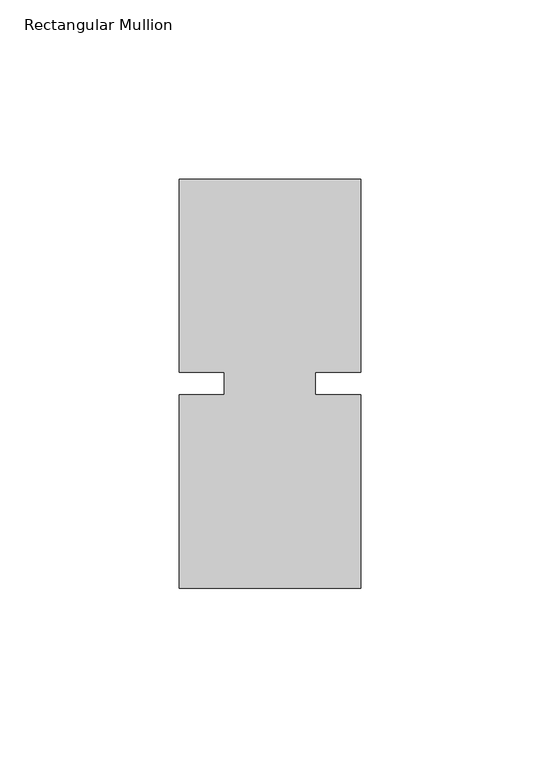
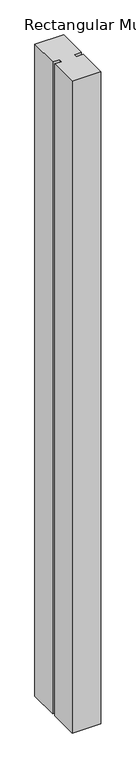
"""IFC4 building model written with IfcOpenShell, lengths in millimetres: member geometry, Rectangular Mullion."""

from ifc_helpers import new_model, si_unit, frame, origin, place, context, project, spatial, polyline, outline, extrude, source, transform, mapped, element, save


def rectangular_mullion_8e780e7e(model_context):
    return source(origin(), model_context, "Body", "SweptSolid", [
        extrude(outline(polyline([(29.7344027, 57.15), (29.7344027, 3.175), (17.0326322, 3.175), (17.0326322, -3.175), (29.7344027, -3.175), (29.7344027, -57.15), (-21.0655973, -57.15), (-21.0655973, -3.175), (-8.3655973, -3.175), (-8.3655973, 3.175), (-21.0655973, 3.175), (-21.0655973, 57.15), (29.7344027, 57.15)])), frame((0.0, 0.0, -1219.2), z_axis=(0.0, 0.0, 1.0), x_axis=(1.0, 0.0, 0.0)), (0.0, 0.0, 1.0), 1219.2),
    ])


if __name__ == "__main__":
    model = new_model("IFC4")
    model_context = context("Model", 3, world=origin())
    ifc_project = project(units=[si_unit("LENGTHUNIT", "METRE", prefix="MILLI")], contexts=[model_context])
    site = spatial("IfcSite", under=ifc_project)
    building = spatial("IfcBuilding", under=site)
    placement = place(None, origin())
    rectangular_mullion_shape = rectangular_mullion_8e780e7e(model_context)
    element("IfcMember", 1, ObjectType="Rectangular Mullion", at=placement, inside=building, context=model_context, shape_type="MappedRepresentation", body=[
        mapped(rectangular_mullion_shape, transform((0.0, 0.0, 0.0), x_axis=(1.0, 0.0, 0.0), y_axis=(0.0, 1.0, 0.0), z_axis=(0.0, 0.0, 1.0))),
    ])
    save(model, "model.ifc")
